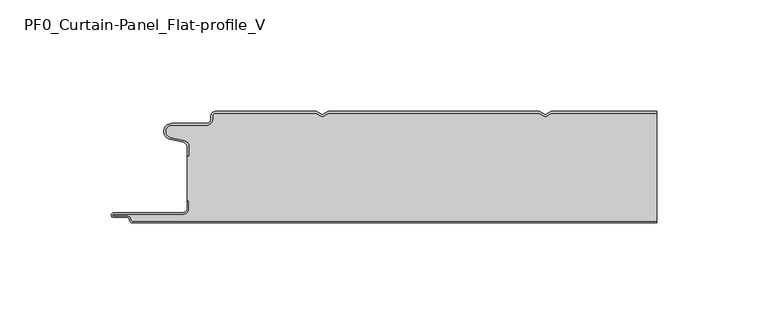
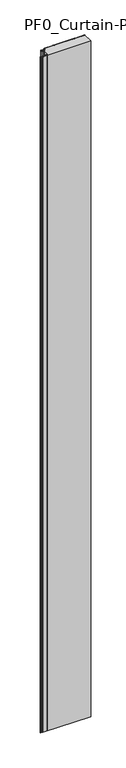
"""IFC4 building model written with IfcOpenShell, lengths in millimetres: plate geometry, PF0_Curtain-Panel_Flat-profile_V."""

from ifc_helpers import new_model, si_unit, point, frame_2d, origin, origin_with_axes, place, context, project, spatial, polyline, circle_curve, trimmed, segment, composite_curve, outline, extrude, source, transform, mapped, element, save


def pf0_curtain_panel_flat_profile_v_9c9f749c(model_context):
    return source(origin(), model_context, "Body", "SweptSolid", [
        extrude(outline(composite_curve([segment(trimmed(circle_curve(frame_2d((-102.0119739, -15.878557)), 2.0), [point((-100.0119739, -15.878557))], [point((-101.5620718, -13.9298169))], True, "CARTESIAN"), True, "CONTINUOUS"), segment(polyline([(-101.5620718, -13.9298169), (-107.7217978, -12.507732)]), True, "CONTINUOUS"), segment(trimmed(circle_curve(frame_2d((-106.9119739, -9.0)), 3.6), [point((-107.7217978, -12.507732))], [point((-106.9119739, -5.4))], False, "CARTESIAN"), True, "CONTINUOUS"), segment(polyline([(-106.9119739, -5.4), (-91.4119739, -5.4)]), True, "CONTINUOUS"), segment(trimmed(circle_curve(frame_2d((-91.4119739, -3.4)), 2.0), [point((-91.4119739, -5.4))], [point((-89.4119739, -3.4))], True, "CARTESIAN"), True, "CONTINUOUS"), segment(polyline([(-89.4119739, -3.4), (-89.4119739, -2.0)]), True, "CONTINUOUS"), segment(trimmed(circle_curve(frame_2d((-87.4119739, -2.0)), 2.0), [point((-89.4119739, -2.0))], [point((-87.4119739, 0.0))], False, "CARTESIAN"), True, "CONTINUOUS"), segment(polyline([(-87.4119739, 0.0), (-42.1119734, 0.0), (-39.4119739, -1.5588455), (-36.7119745, 0.0), (57.8880266, 0.0), (60.5880261, -1.5588455), (63.2880255, 0.0), (110.6119739, 0.0), (110.6119739, -0.8), (63.5023849, -0.8), (60.5880261, -2.482606), (57.6736672, -0.8), (-36.4976151, -0.8), (-39.4119739, -2.482606), (-42.3263328, -0.8), (-87.4119739, -0.8)]), True, "CONTINUOUS"), segment(trimmed(circle_curve(frame_2d((-87.4119739, -2.0)), 1.2), [point((-87.4119739, -0.8))], [point((-88.6119739, -2.0))], True, "CARTESIAN"), True, "CONTINUOUS"), segment(polyline([(-88.6119739, -2.0), (-88.6119739, -3.4)]), True, "CONTINUOUS"), segment(trimmed(circle_curve(frame_2d((-91.4119739, -3.4)), 2.8), [point((-88.6119739, -3.4))], [point((-91.4119739, -6.2))], False, "CARTESIAN"), True, "CONTINUOUS"), segment(polyline([(-91.4119739, -6.2), (-106.9119739, -6.2)]), True, "CONTINUOUS"), segment(trimmed(circle_curve(frame_2d((-106.9119739, -9.0)), 2.8), [point((-106.9119739, -6.2))], [point((-107.541837, -11.7282362))], True, "CARTESIAN"), True, "CONTINUOUS"), segment(polyline([(-107.541837, -11.7282362), (-101.3821109, -13.150321)]), True, "CONTINUOUS"), segment(trimmed(circle_curve(frame_2d((-102.0119739, -15.878557)), 2.8), [point((-101.3821109, -13.150321))], [point((-99.2119739, -15.878557))], False, "CARTESIAN"), True, "CONTINUOUS"), segment(polyline([(-99.2119739, -15.878557), (-99.2119739, -20.0), (-100.0119739, -20.0), (-100.0119739, -15.878557)]), True, "CONTINUOUS")], self_intersect=False)), origin_with_axes(), (0.0, 0.0, 1.0), 3500.0),
        extrude(outline(composite_curve([segment(polyline([(-99.2119739, -40.0), (-100.0119739, -40.0), (-100.0119739, -20.0), (-99.2119739, -20.0), (-99.2119739, -15.878557)]), True, "CONTINUOUS"), segment(trimmed(circle_curve(frame_2d((-102.0119739, -15.878557)), 2.8), [point((-99.2119739, -15.878557))], [point((-101.3821109, -13.1503208))], True, "CARTESIAN"), True, "CONTINUOUS"), segment(polyline([(-101.3821109, -13.1503208), (-107.5418369, -11.7282362)]), True, "CONTINUOUS"), segment(trimmed(circle_curve(frame_2d((-106.9119739, -9.0)), 2.8), [point((-107.5418369, -11.7282362))], [point((-106.9119739, -6.2))], False, "CARTESIAN"), True, "CONTINUOUS"), segment(polyline([(-106.9119739, -6.2), (-91.4119739, -6.2)]), True, "CONTINUOUS"), segment(trimmed(circle_curve(frame_2d((-91.4119739, -3.4)), 2.8), [point((-91.4119739, -6.2))], [point((-88.6119739, -3.4))], True, "CARTESIAN"), True, "CONTINUOUS"), segment(polyline([(-88.6119739, -3.4), (-88.6119739, -2.0)]), True, "CONTINUOUS"), segment(trimmed(circle_curve(frame_2d((-87.4119739, -2.0)), 1.2), [point((-88.6119739, -2.0))], [point((-87.4119739, -0.8))], False, "CARTESIAN"), True, "CONTINUOUS"), segment(polyline([(-87.4119739, -0.8), (-42.3263328, -0.8), (-39.4119739, -2.482606), (-36.4976151, -0.8), (57.6736672, -0.8), (60.5880261, -2.482606), (63.5023849, -0.8), (110.6119739, -0.8), (110.6119739, -49.2), (-124.4119739, -49.2)]), True, "CONTINUOUS"), segment(trimmed(circle_curve(frame_2d((-124.4119739, -48.4)), 0.8), [point((-124.4119739, -49.2))], [point((-125.2119739, -48.4))], False, "CARTESIAN"), True, "CONTINUOUS"), segment(trimmed(circle_curve(frame_2d((-126.9119739, -48.6133333)), 1.7133333), [point((-125.2119739, -48.4))], [point((-126.9119739, -46.9))], True, "CARTESIAN"), True, "CONTINUOUS"), segment(polyline([(-126.9119739, -46.9), (-132.8820051, -46.9)]), True, "CONTINUOUS"), segment(trimmed(circle_curve(frame_2d((-132.8820051, -46.6)), 0.3), [point((-132.8820051, -46.9))], [point((-132.8820051, -46.3))], False, "CARTESIAN"), True, "CONTINUOUS"), segment(polyline([(-132.8820051, -46.3), (-102.0119739, -46.3)]), True, "CONTINUOUS"), segment(trimmed(circle_curve(frame_2d((-102.0119739, -43.5)), 2.8), [point((-102.0119739, -46.3))], [point((-99.2119739, -43.5))], True, "CARTESIAN"), True, "CONTINUOUS"), segment(polyline([(-99.2119739, -43.5), (-99.2119739, -40.0)]), True, "CONTINUOUS")], self_intersect=False)), origin_with_axes(), (0.0, 0.0, 1.0), 3500.0),
        extrude(outline(composite_curve([segment(polyline([(-100.0119739, -40.0), (-99.2119739, -40.0), (-99.2119739, -43.5)]), True, "CONTINUOUS"), segment(trimmed(circle_curve(frame_2d((-102.0119739, -43.5)), 2.8), [point((-99.2119739, -43.5))], [point((-102.0119739, -46.3))], False, "CARTESIAN"), True, "CONTINUOUS"), segment(polyline([(-102.0119739, -46.3), (-132.8820051, -46.3)]), True, "CONTINUOUS"), segment(trimmed(circle_curve(frame_2d((-132.8820051, -46.6)), 0.3), [point((-132.8820051, -46.3))], [point((-132.8820051, -46.9))], True, "CARTESIAN"), True, "CONTINUOUS"), segment(polyline([(-132.8820051, -46.9), (-126.9119739, -46.9)]), True, "CONTINUOUS"), segment(trimmed(circle_curve(frame_2d((-126.9119739, -48.6133333)), 1.7133333), [point((-126.9119739, -46.9))], [point((-125.2119739, -48.4))], False, "CARTESIAN"), True, "CONTINUOUS"), segment(trimmed(circle_curve(frame_2d((-124.4119739, -48.4)), 0.8), [point((-125.2119739, -48.4))], [point((-124.4119739, -49.2))], True, "CARTESIAN"), True, "CONTINUOUS"), segment(polyline([(-124.4119739, -49.2), (110.6119739, -49.2), (110.6119739, -50.0), (-124.4119739, -50.0)]), True, "CONTINUOUS"), segment(trimmed(circle_curve(frame_2d((-124.4119739, -48.4)), 1.6), [point((-124.4119739, -50.0))], [point((-126.0119739, -48.4))], False, "CARTESIAN"), True, "CONTINUOUS"), segment(trimmed(circle_curve(frame_2d((-126.9119739, -48.4)), 0.9), [point((-126.0119739, -48.4))], [point((-126.9119739, -47.5))], True, "CARTESIAN"), True, "CONTINUOUS"), segment(polyline([(-126.9119739, -47.5), (-133.0119739, -47.5)]), True, "CONTINUOUS"), segment(trimmed(circle_curve(frame_2d((-133.0119739, -46.5)), 1.0), [point((-133.0119739, -47.5))], [point((-133.0119739, -45.5))], False, "CARTESIAN"), True, "CONTINUOUS"), segment(polyline([(-133.0119739, -45.5), (-102.0119739, -45.5)]), True, "CONTINUOUS"), segment(trimmed(circle_curve(frame_2d((-102.0119739, -43.5)), 2.0), [point((-102.0119739, -45.5))], [point((-100.0119739, -43.5))], True, "CARTESIAN"), True, "CONTINUOUS"), segment(polyline([(-100.0119739, -43.5), (-100.0119739, -40.0)]), True, "CONTINUOUS")], self_intersect=False)), origin_with_axes(), (0.0, 0.0, 1.0), 3500.0),
    ])


if __name__ == "__main__":
    model = new_model("IFC4")
    model_context = context("Model", 3, world=origin())
    ifc_project = project(units=[si_unit("LENGTHUNIT", "METRE", prefix="MILLI")], contexts=[model_context])
    site = spatial("IfcSite", under=ifc_project)
    building = spatial("IfcBuilding", under=site)
    placement = place(None, origin())
    pf0_curtain_panel_flat_profile_v_shape = pf0_curtain_panel_flat_profile_v_9c9f749c(model_context)
    element("IfcPlate", 1, ObjectType="PF0_Curtain-Panel_Flat-profile_V", at=placement, inside=building, context=model_context, shape_type="MappedRepresentation", body=[
        mapped(pf0_curtain_panel_flat_profile_v_shape, transform((0.0, 0.0, 0.0), x_axis=(1.0, 0.0, 0.0), y_axis=(0.0, 1.0, 0.0), z_axis=(0.0, 0.0, 1.0))),
    ])
    save(model, "model.ifc")
